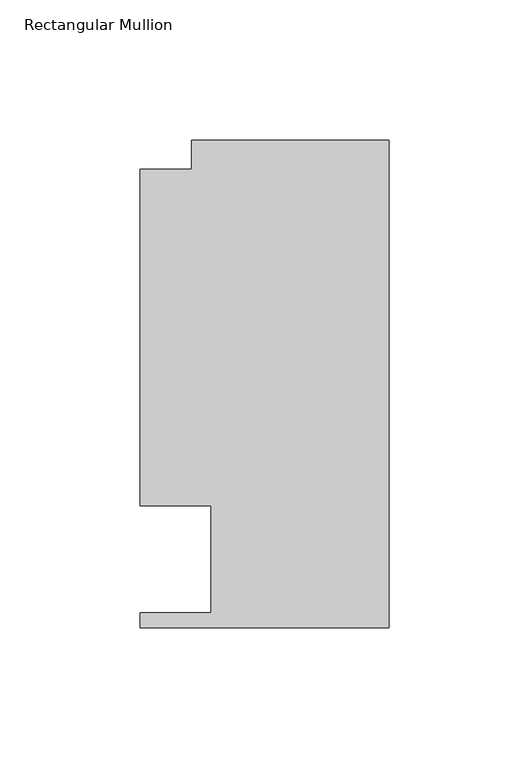
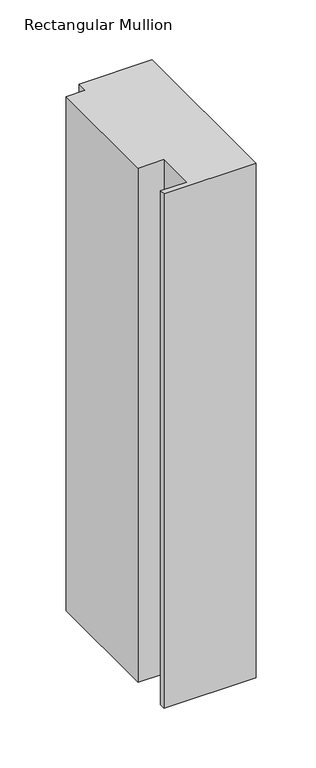
"""IFC4 building model written with IfcOpenShell, lengths in millimetres: member geometry, Rectangular Mullion."""

from ifc_helpers import new_model, si_unit, frame, origin, place, context, project, spatial, polyline, outline, extrude, source, transform, mapped, element, save


def rectangular_mullion_800bd5a1(model_context):
    return source(origin(), model_context, "Body", "SweptSolid", [
        extrude(outline(polyline([(-88.9131928, 151.892), (-70.395709, 151.892), (-70.395709, 162.3059961), (0.0, 162.3059961), (0.0, -11.684), (-88.9131928, -11.684), (-88.9131928, -6.35), (-63.5131928, -6.35), (-63.5131928, 31.75), (-88.9131928, 31.75), (-88.9131928, 151.892)])), frame((0.0, 0.0, -523.8877), z_axis=(0.0, 0.0, 1.0), x_axis=(1.0, 0.0, 0.0)), (0.0, 0.0, 1.0), 523.8877),
    ])


if __name__ == "__main__":
    model = new_model("IFC4")
    model_context = context("Model", 3, world=origin())
    ifc_project = project(units=[si_unit("LENGTHUNIT", "METRE", prefix="MILLI")], contexts=[model_context])
    site = spatial("IfcSite", under=ifc_project)
    building = spatial("IfcBuilding", under=site)
    placement = place(None, origin())
    rectangular_mullion_shape = rectangular_mullion_800bd5a1(model_context)
    element("IfcMember", 1, ObjectType="Rectangular Mullion", at=placement, inside=building, context=model_context, shape_type="MappedRepresentation", body=[
        mapped(rectangular_mullion_shape, transform((0.0, 0.0, 0.0), x_axis=(1.0, 0.0, 0.0), y_axis=(0.0, 1.0, 0.0), z_axis=(0.0, 0.0, 1.0))),
    ])
    save(model, "model.ifc")
